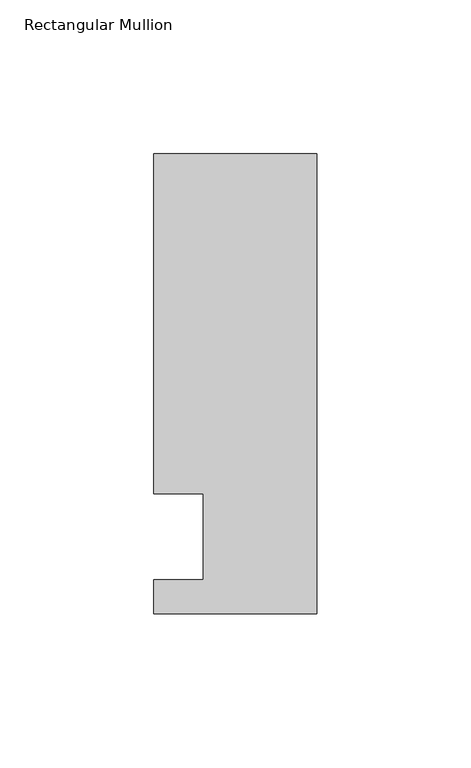
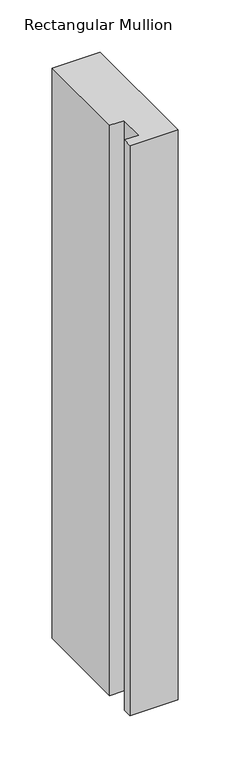
"""IFC4 building model written with IfcOpenShell, lengths in millimetres: member geometry, Rectangular Mullion."""

from ifc_helpers import new_model, si_unit, frame, origin, place, context, project, spatial, polyline, outline, extrude, source, transform, mapped, element, save


def rectangular_mullion_35aa3c7d(model_context):
    return source(origin(), model_context, "Body", "SweptSolid", [
        extrude(outline(polyline([(-37.0, -13.9999453), (-37.0, 14.0000547), (-53.0, 14.0000547), (-53.0, 124.5000547), (0.0, 124.5000547), (0.0, -24.9999453), (-53.0, -24.9999453), (-53.0, -13.9999453), (-37.0, -13.9999453)])), frame((0.0, 0.0, -666.20085), z_axis=(0.0, 0.0, 1.0), x_axis=(1.0, 0.0, 0.0)), (0.0, 0.0, 1.0), 666.20085),
    ])


if __name__ == "__main__":
    model = new_model("IFC4")
    model_context = context("Model", 3, world=origin())
    ifc_project = project(units=[si_unit("LENGTHUNIT", "METRE", prefix="MILLI")], contexts=[model_context])
    site = spatial("IfcSite", under=ifc_project)
    building = spatial("IfcBuilding", under=site)
    placement = place(None, origin())
    rectangular_mullion_shape = rectangular_mullion_35aa3c7d(model_context)
    element("IfcMember", 1, ObjectType="Rectangular Mullion", at=placement, inside=building, context=model_context, shape_type="MappedRepresentation", body=[
        mapped(rectangular_mullion_shape, transform((0.0, 0.0, 0.0), x_axis=(1.0, 0.0, 0.0), y_axis=(0.0, 1.0, 0.0), z_axis=(0.0, 0.0, 1.0))),
    ])
    save(model, "model.ifc")
